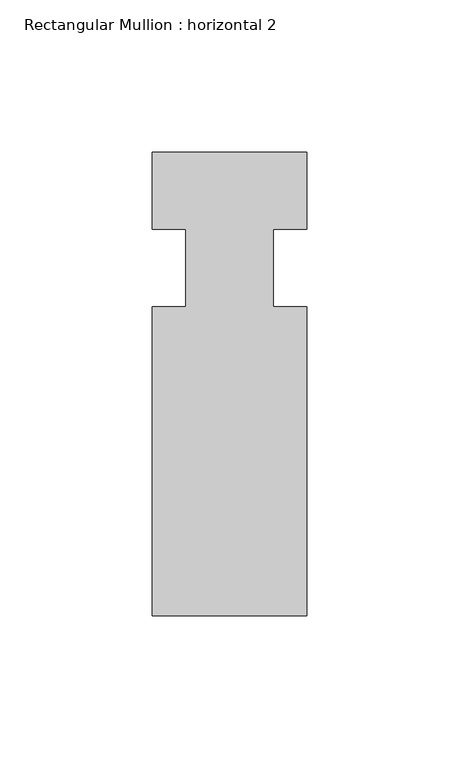
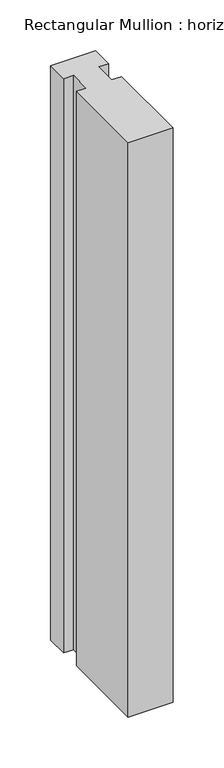
"""IFC4 building model written with IfcOpenShell, lengths in millimetres: member geometry, Rectangular Mullion : horizontal 2."""

from ifc_helpers import new_model, si_unit, frame, origin, place, context, project, spatial, polyline, outline, extrude, source, transform, mapped, element, save


def rectangular_mullion_horizontal_2_b908ed0f(model_context):
    return source(origin(), model_context, "Body", "SweptSolid", [
        extrude(outline(polyline([(-25.4, 6.35), (25.4, 6.35), (25.4, -19.05), (14.398625, -19.05), (14.398625, -44.45), (25.4, -44.45), (25.4, -146.05), (-25.4, -146.05), (-25.4, -44.45), (-14.398625, -44.45), (-14.398625, -19.05), (-25.4, -19.05), (-25.4, 6.35)])), frame((0.0, 0.0, -688.975), z_axis=(0.0, 0.0, 1.0), x_axis=(1.0, 0.0, 0.0)), (0.0, 0.0, 1.0), 688.975),
    ])


if __name__ == "__main__":
    model = new_model("IFC4")
    model_context = context("Model", 3, world=origin())
    ifc_project = project(units=[si_unit("LENGTHUNIT", "METRE", prefix="MILLI")], contexts=[model_context])
    site = spatial("IfcSite", under=ifc_project)
    building = spatial("IfcBuilding", under=site)
    placement = place(None, origin())
    rectangular_mullion_horizontal_2_shape = rectangular_mullion_horizontal_2_b908ed0f(model_context)
    element("IfcMember", 1, ObjectType="Rectangular Mullion : horizontal 2", at=placement, inside=building, context=model_context, shape_type="MappedRepresentation", body=[
        mapped(rectangular_mullion_horizontal_2_shape, transform((0.0, 0.0, 0.0), x_axis=(1.0, 0.0, 0.0), y_axis=(0.0, 1.0, 0.0), z_axis=(0.0, 0.0, 1.0))),
    ])
    save(model, "model.ifc")
